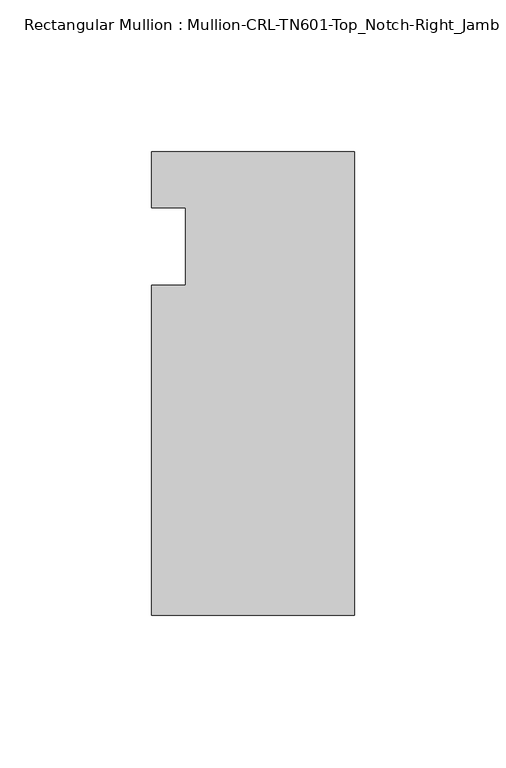
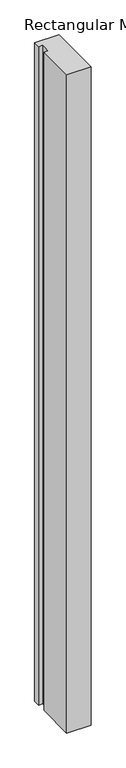
"""IFC4 building model written with IfcOpenShell, lengths in millimetres: member geometry, Rectangular Mullion : Mullion-CRL-TN601-Top_Notch-Right_Jamb."""

from ifc_helpers import new_model, si_unit, frame, origin, place, context, project, spatial, polyline, outline, extrude, source, transform, mapped, element, save


def rectangular_mullion_mullion_crl_tn601_top_notch_right_jamb_a76b0af6(model_context):
    return source(origin(), model_context, "Body", "SweptSolid", [
        extrude(outline(polyline([(-66.675, -12.7), (-55.5625, -12.7), (-55.5625, 12.7), (-66.675, 12.7), (-66.675, 31.1419875), (0.0, 31.1419875), (0.0, -121.2580125), (-66.675, -121.2580125), (-66.675, -12.7)])), frame((0.0, 0.0, -1914.380463), z_axis=(0.0, 0.0, 1.0), x_axis=(1.0, 0.0, 0.0)), (0.0, 0.0, 1.0), 1914.380463),
    ])


if __name__ == "__main__":
    model = new_model("IFC4")
    model_context = context("Model", 3, world=origin())
    ifc_project = project(units=[si_unit("LENGTHUNIT", "METRE", prefix="MILLI")], contexts=[model_context])
    site = spatial("IfcSite", under=ifc_project)
    building = spatial("IfcBuilding", under=site)
    placement = place(None, origin())
    rectangular_mullion_mullion_crl_tn601_top_notch_right_jamb_shape = rectangular_mullion_mullion_crl_tn601_top_notch_right_jamb_a76b0af6(model_context)
    element("IfcMember", 1, ObjectType="Rectangular Mullion : Mullion-CRL-TN601-Top_Notch-Right_Jamb", at=placement, inside=building, context=model_context, shape_type="MappedRepresentation", body=[
        mapped(rectangular_mullion_mullion_crl_tn601_top_notch_right_jamb_shape, transform((0.0, 0.0, 0.0), x_axis=(1.0, 0.0, 0.0), y_axis=(0.0, 1.0, 0.0), z_axis=(0.0, 0.0, 1.0))),
    ])
    save(model, "model.ifc")
